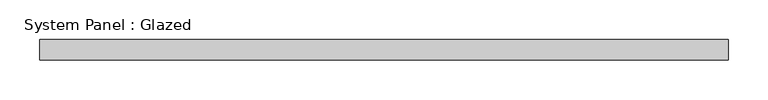
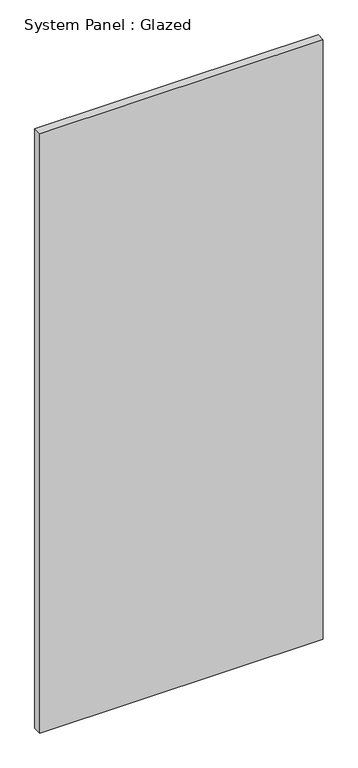
"""IFC4 building model written with IfcOpenShell, lengths in millimetres: plate geometry, System Panel : Glazed."""

from ifc_helpers import new_model, si_unit, origin, origin_with_axes, place, context, project, spatial, polyline, outline, extrude, source, transform, mapped, element, save


def system_panel_glazed_8509a62c(model_context):
    return source(origin(), model_context, "Body", "SweptSolid", [
        extrude(outline(polyline([(430.5834573, 19.05), (-430.5834573, 19.05), (-430.5834573, 44.45), (430.5834573, 44.45), (430.5834573, 19.05)])), origin_with_axes(), (0.0, 0.0, 1.0), 1924.05),
    ])


if __name__ == "__main__":
    model = new_model("IFC4")
    model_context = context("Model", 3, world=origin())
    ifc_project = project(units=[si_unit("LENGTHUNIT", "METRE", prefix="MILLI")], contexts=[model_context])
    site = spatial("IfcSite", under=ifc_project)
    building = spatial("IfcBuilding", under=site)
    placement = place(None, origin())
    system_panel_glazed_shape = system_panel_glazed_8509a62c(model_context)
    element("IfcPlate", 1, ObjectType="System Panel : Glazed", at=placement, inside=building, context=model_context, shape_type="MappedRepresentation", body=[
        mapped(system_panel_glazed_shape, transform((0.0, 0.0, 0.0), x_axis=(1.0, 0.0, 0.0), y_axis=(0.0, 1.0, 0.0), z_axis=(0.0, 0.0, 1.0))),
    ])
    save(model, "model.ifc")
